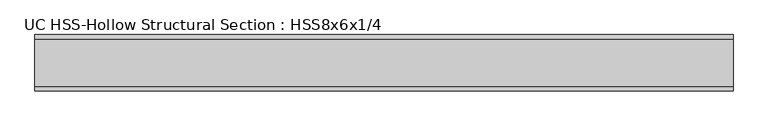
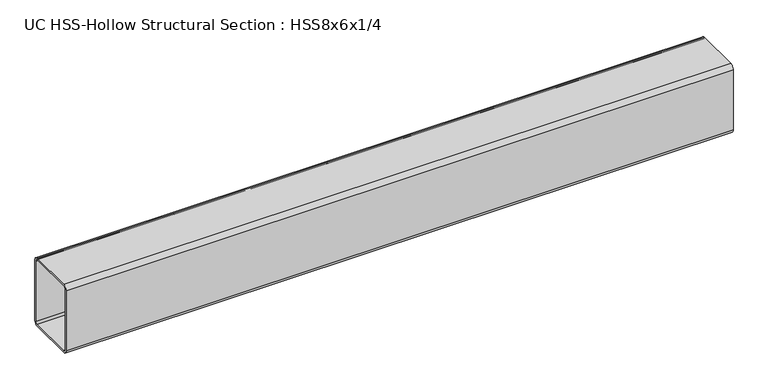
"""IFC4 building model written with IfcOpenShell, lengths in millimetres: beam geometry, UC HSS-Hollow Structural Section : HSS8x6x1/4."""

from ifc_helpers import new_model, si_unit, point, frame, frame_2d, origin, place, context, project, spatial, polyline, circle_curve, trimmed, segment, composite_curve, outline, extrude, source, transform, mapped, element, save


def uc_hss_hollow_structural_section_hss8x6x1_4_d49974e3(model_context):
    return source(origin(), model_context, "Body", "SweptSolid", [
        extrude(outline(composite_curve([segment(polyline([(76.2, 89.7636), (76.2, -89.7636)]), True, "CONTINUOUS"), segment(trimmed(circle_curve(frame_2d((64.3636, -89.7636)), 11.8364), [point((76.2, -89.7636))], [point((64.3636, -101.6))], False, "CARTESIAN"), True, "CONTINUOUS"), segment(polyline([(64.3636, -101.6), (-64.3636, -101.6)]), True, "CONTINUOUS"), segment(trimmed(circle_curve(frame_2d((-64.3636, -89.7636)), 11.8364), [point((-64.3636, -101.6))], [point((-76.2, -89.7636))], False, "CARTESIAN"), True, "CONTINUOUS"), segment(polyline([(-76.2, -89.7636), (-76.2, 89.7636)]), True, "CONTINUOUS"), segment(trimmed(circle_curve(frame_2d((-64.3636, 89.7636)), 11.8364), [point((-76.2, 89.7636))], [point((-64.3636, 101.6))], False, "CARTESIAN"), True, "CONTINUOUS"), segment(polyline([(-64.3636, 101.6), (64.3636, 101.6)]), True, "CONTINUOUS"), segment(trimmed(circle_curve(frame_2d((64.3636, 89.7636)), 11.8364), [point((64.3636, 101.6))], [point((76.2, 89.7636))], False, "CARTESIAN"), True, "CONTINUOUS")], self_intersect=False), holes=[composite_curve([segment(trimmed(circle_curve(frame_2d((-64.3636, 89.7636)), 5.9182), [point((-64.3636, 95.6818))], [point((-70.2818, 89.7636))], True, "CARTESIAN"), True, "CONTINUOUS"), segment(polyline([(-70.2818, 89.7636), (-70.2818, -89.7636)]), True, "CONTINUOUS"), segment(trimmed(circle_curve(frame_2d((-64.3636, -89.7636)), 5.9182), [point((-70.2818, -89.7636))], [point((-64.3636, -95.6818))], True, "CARTESIAN"), True, "CONTINUOUS"), segment(polyline([(-64.3636, -95.6818), (64.3636, -95.6818)]), True, "CONTINUOUS"), segment(trimmed(circle_curve(frame_2d((64.3636, -89.7636)), 5.9182), [point((64.3636, -95.6818))], [point((70.2818, -89.7636))], True, "CARTESIAN"), True, "CONTINUOUS"), segment(polyline([(70.2818, -89.7636), (70.2818, 89.7636)]), True, "CONTINUOUS"), segment(trimmed(circle_curve(frame_2d((64.3636, 89.7636)), 5.9182), [point((70.2818, 89.7636))], [point((64.3636, 95.6818))], True, "CARTESIAN"), True, "CONTINUOUS"), segment(polyline([(64.3636, 95.6818), (-64.3636, 95.6818)]), True, "CONTINUOUS")], self_intersect=False)]), frame((-645.4360324, 0.0, 0.0), z_axis=(1.0, 0.0, 0.0), x_axis=(0.0, 1.0, 0.0)), (0.0, 0.0, 1.0), 1884.2440515),
    ])


if __name__ == "__main__":
    model = new_model("IFC4")
    model_context = context("Model", 3, world=origin())
    ifc_project = project(units=[si_unit("LENGTHUNIT", "METRE", prefix="MILLI")], contexts=[model_context])
    site = spatial("IfcSite", under=ifc_project)
    building = spatial("IfcBuilding", under=site)
    placement = place(None, origin())
    uc_hss_hollow_structural_section_hss8x6x1_4_shape = uc_hss_hollow_structural_section_hss8x6x1_4_d49974e3(model_context)
    element("IfcBeam", 1, ObjectType="UC HSS-Hollow Structural Section : HSS8x6x1/4", at=placement, inside=building, context=model_context, shape_type="MappedRepresentation", body=[
        mapped(uc_hss_hollow_structural_section_hss8x6x1_4_shape, transform((0.0, 0.0, 0.0), x_axis=(1.0, 0.0, 0.0), y_axis=(0.0, 1.0, 0.0), z_axis=(0.0, 0.0, 1.0))),
    ])
    save(model, "model.ifc")
